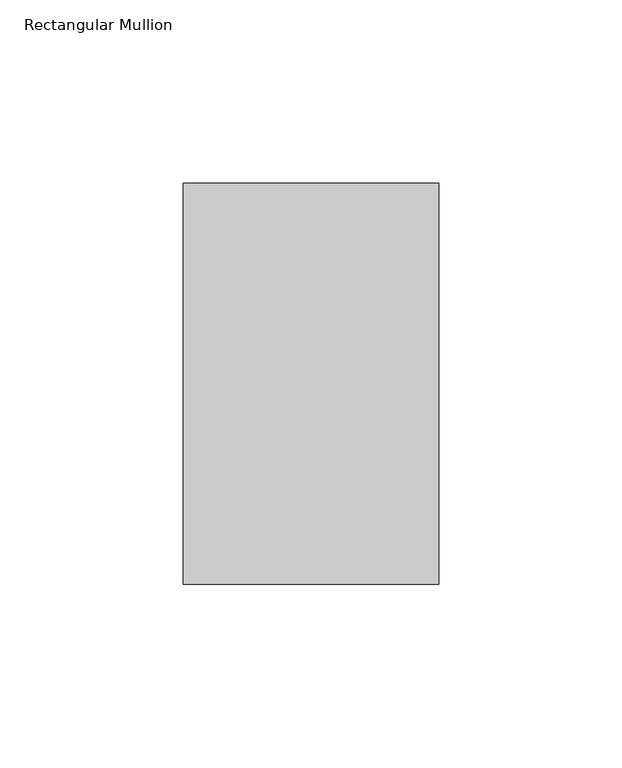
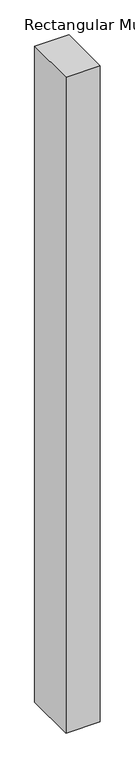
"""IFC4 building model written with IfcOpenShell, lengths in millimetres: member geometry, Rectangular Mullion."""

from ifc_helpers import new_model, si_unit, frame, origin, place, context, project, spatial, polyline, outline, extrude, source, transform, mapped, element, save


def rectangular_mullion_42c43677(model_context):
    return source(origin(), model_context, "Body", "SweptSolid", [
        extrude(outline(polyline([(0.0, -83.34375), (-69.85, -83.34375), (-69.85, 26.19375), (0.0, 26.19375), (0.0, -83.34375)])), frame((0.0, 0.0, -1408.90625), z_axis=(0.0, 0.0, 1.0), x_axis=(1.0, 0.0, 0.0)), (0.0, 0.0, 1.0), 1408.90625),
    ])


if __name__ == "__main__":
    model = new_model("IFC4")
    model_context = context("Model", 3, world=origin())
    ifc_project = project(units=[si_unit("LENGTHUNIT", "METRE", prefix="MILLI")], contexts=[model_context])
    site = spatial("IfcSite", under=ifc_project)
    building = spatial("IfcBuilding", under=site)
    placement = place(None, origin())
    rectangular_mullion_shape = rectangular_mullion_42c43677(model_context)
    element("IfcMember", 1, ObjectType="Rectangular Mullion", at=placement, inside=building, context=model_context, shape_type="MappedRepresentation", body=[
        mapped(rectangular_mullion_shape, transform((0.0, 0.0, 0.0), x_axis=(1.0, 0.0, 0.0), y_axis=(0.0, 1.0, 0.0), z_axis=(0.0, 0.0, 1.0))),
    ])
    save(model, "model.ifc")
